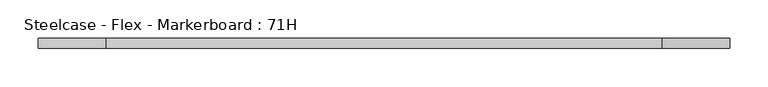
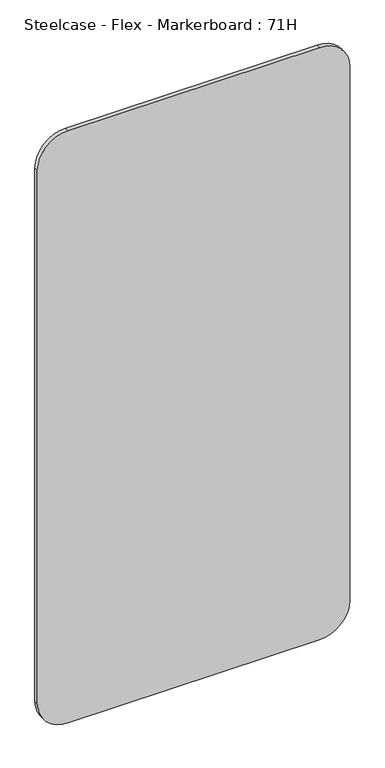
"""IFC4 building model written with IfcOpenShell, lengths in millimetres: furniture geometry, Steelcase - Flex - Markerboard : 71H."""

from ifc_helpers import new_model, si_unit, point, frame, frame_2d, origin, place, context, project, spatial, polyline, circle_curve, trimmed, segment, composite_curve, outline, extrude, source, transform, mapped, element, save


def steelcase_flex_markerboard_71h_c19f8b91(model_context):
    return source(origin(), model_context, "Body", "SweptSolid", [
        extrude(outline(composite_curve([segment(polyline([(1803.4, 812.8), (1803.4, 88.9)]), True, "CONTINUOUS"), segment(trimmed(circle_curve(frame_2d((1714.5, 88.9)), 88.9), [point((1803.4, 88.9))], [point((1714.5, 0.0))], False, "CARTESIAN"), True, "CONTINUOUS"), segment(polyline([(1714.5, 0.0), (88.9, 0.0)]), True, "CONTINUOUS"), segment(trimmed(circle_curve(frame_2d((88.9, 88.9)), 88.9), [point((88.9, 0.0))], [point((0.0, 88.9))], False, "CARTESIAN"), True, "CONTINUOUS"), segment(polyline([(0.0, 88.9), (0.0, 812.8)]), True, "CONTINUOUS"), segment(trimmed(circle_curve(frame_2d((88.9, 812.8)), 88.9), [point((0.0, 812.8))], [point((88.9, 901.7))], False, "CARTESIAN"), True, "CONTINUOUS"), segment(polyline([(88.9, 901.7), (1714.5, 901.7)]), True, "CONTINUOUS"), segment(trimmed(circle_curve(frame_2d((1714.5, 812.8)), 88.9), [point((1714.5, 901.7))], [point((1803.4, 812.8))], False, "CARTESIAN"), True, "CONTINUOUS")], self_intersect=False)), frame((0.0, -12.6957723, 0.0), z_axis=(0.0, 1.0, 0.0), x_axis=(0.0, 0.0, 1.0)), (0.0, 0.0, 1.0), 12.6957723),
    ])


if __name__ == "__main__":
    model = new_model("IFC4")
    model_context = context("Model", 3, world=origin())
    ifc_project = project(units=[si_unit("LENGTHUNIT", "METRE", prefix="MILLI")], contexts=[model_context])
    site = spatial("IfcSite", under=ifc_project)
    building = spatial("IfcBuilding", under=site)
    placement = place(None, origin())
    steelcase_flex_markerboard_71h_shape = steelcase_flex_markerboard_71h_c19f8b91(model_context)
    element("IfcFurniture", 1, ObjectType="Steelcase - Flex - Markerboard : 71H", at=placement, inside=building, context=model_context, shape_type="MappedRepresentation", body=[
        mapped(steelcase_flex_markerboard_71h_shape, transform((0.0, 0.0, 0.0), x_axis=(1.0, 0.0, 0.0), y_axis=(0.0, 1.0, 0.0), z_axis=(0.0, 0.0, 1.0))),
    ])
    save(model, "model.ifc")
